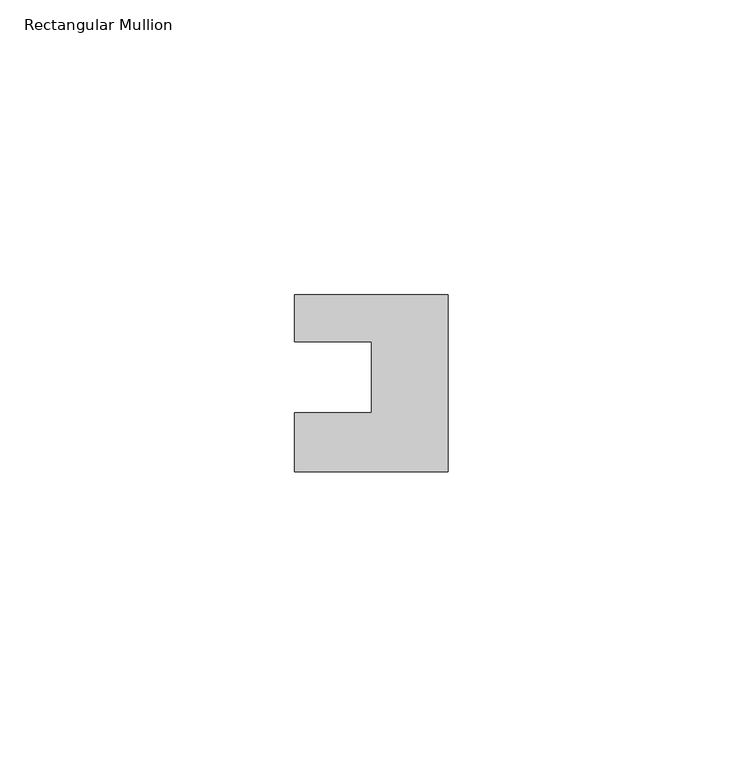
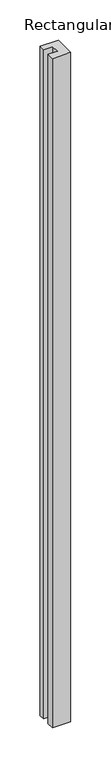
"""IFC4 building model written with IfcOpenShell, lengths in millimetres: member geometry, Rectangular Mullion."""

from ifc_helpers import new_model, si_unit, frame, origin, place, context, project, spatial, polyline, outline, extrude, source, transform, mapped, element, save


def rectangular_mullion_07d2aeed(model_context):
    return source(origin(), model_context, "Body", "SweptSolid", [
        extrude(outline(polyline([(-26.0, 0.001), (-26.0, 7.94), (0.0, 7.94), (0.0, -22.06), (-26.0, -22.06), (-26.0, -12.0), (-13.0, -12.0), (-13.0, 0.001), (-26.0, 0.001)])), frame((0.0, 0.0, -1010.0), z_axis=(0.0, 0.0, 1.0), x_axis=(1.0, 0.0, 0.0)), (0.0, 0.0, 1.0), 1010.0),
    ])


if __name__ == "__main__":
    model = new_model("IFC4")
    model_context = context("Model", 3, world=origin())
    ifc_project = project(units=[si_unit("LENGTHUNIT", "METRE", prefix="MILLI")], contexts=[model_context])
    site = spatial("IfcSite", under=ifc_project)
    building = spatial("IfcBuilding", under=site)
    placement = place(None, origin())
    rectangular_mullion_shape = rectangular_mullion_07d2aeed(model_context)
    element("IfcMember", 1, ObjectType="Rectangular Mullion", at=placement, inside=building, context=model_context, shape_type="MappedRepresentation", body=[
        mapped(rectangular_mullion_shape, transform((0.0, 0.0, 0.0), x_axis=(1.0, 0.0, 0.0), y_axis=(0.0, 1.0, 0.0), z_axis=(0.0, 0.0, 1.0))),
    ])
    save(model, "model.ifc")
